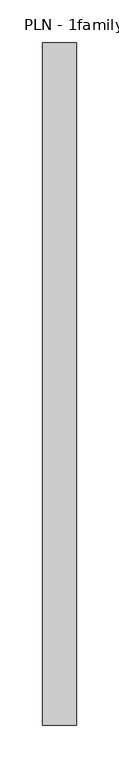
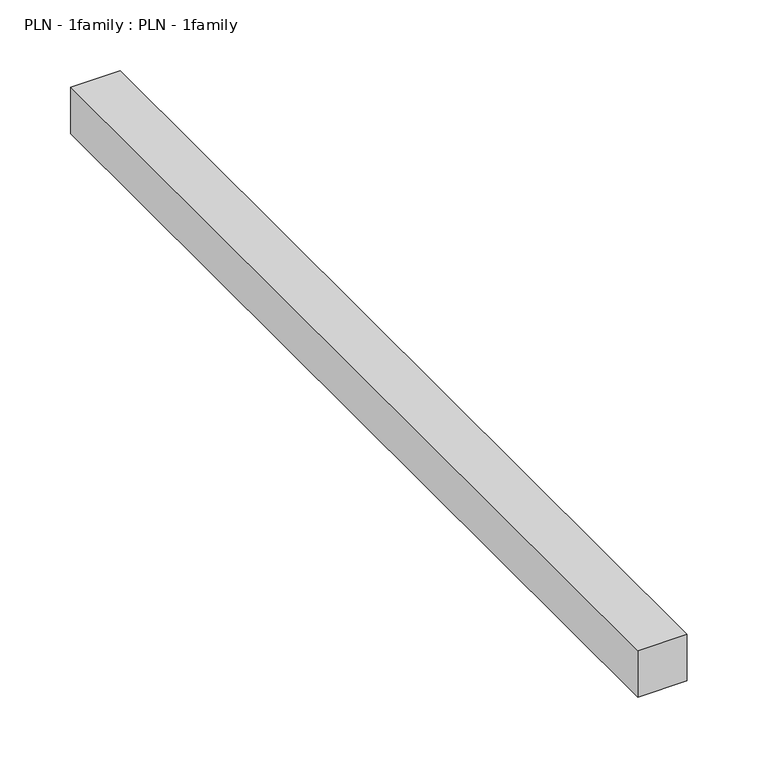
"""IFC4 building model written with IfcOpenShell, lengths in millimetres: proxy geometry, PLN - 1family : PLN - 1family."""

from ifc_helpers import new_model, si_unit, frame, origin, place, context, project, spatial, polyline, outline, extrude, source, transform, mapped, element, save


def pln_1family_pln_1family_b79c4e5a(model_context):
    return source(origin(), model_context, "Body", "SweptSolid", [
        extrude(outline(polyline([(0.0, 800.0), (40.0, 800.0), (40.0, 0.0), (0.0, 0.0), (0.0, 800.0)])), frame((0.0, 0.0, 400.0), z_axis=(0.0, 0.0, 1.0), x_axis=(1.0, 0.0, 0.0)), (0.0, 0.0, 1.0), 40.0),
    ])


if __name__ == "__main__":
    model = new_model("IFC4")
    model_context = context("Model", 3, world=origin())
    ifc_project = project(units=[si_unit("LENGTHUNIT", "METRE", prefix="MILLI")], contexts=[model_context])
    site = spatial("IfcSite", under=ifc_project)
    building = spatial("IfcBuilding", under=site)
    placement = place(None, origin())
    pln_1family_pln_1family_shape = pln_1family_pln_1family_b79c4e5a(model_context)
    element("IfcBuildingElementProxy", 1, Name="PLN - 1family : PLN - 1family", ObjectType="PLN - 1family : PLN - 1family", at=placement, inside=building, context=model_context, shape_type="MappedRepresentation", body=[
        mapped(pln_1family_pln_1family_shape, transform((0.0, 0.0, 0.0), x_axis=(1.0, 0.0, 0.0), y_axis=(0.0, 1.0, 0.0), z_axis=(0.0, 0.0, 1.0))),
    ])
    save(model, "model.ifc")
